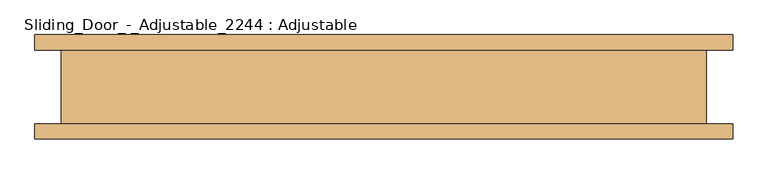
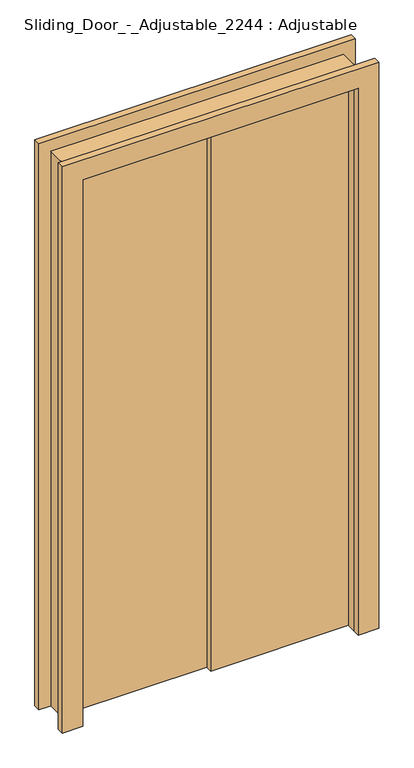
"""IFC4 building model written with IfcOpenShell, lengths in millimetres: door geometry, Sliding_Door_-_Adjustable_2244 : Adjustable."""

from ifc_helpers import new_model, si_unit, frame, origin, origin_with_axes, place, context, project, spatial, polyline, outline, extrude, source, transform, mapped, element, save


def sliding_door_adjustable_2244_adjustable_74ef6e6f(model_context):
    return source(origin(), model_context, "Body", "SweptSolid", [
        extrude(outline(polyline([(508.0, -25.4), (0.0, -25.4), (0.0, 0.0), (508.0, 0.0), (508.0, -25.4)])), origin_with_axes(), (0.0, 0.0, 1.0), 2133.6),
        extrude(outline(polyline([(0.0, 0.0), (-508.0, 0.0), (-508.0, 25.4), (0.0, 25.4), (0.0, 0.0)])), origin_with_axes(), (0.0, 0.0, 1.0), 2133.6),
        extrude(outline(polyline([(2209.8, -584.2), (0.0, -584.2), (0.0, -508.0), (2133.6, -508.0), (2133.6, 508.0), (0.0, 508.0), (0.0, 584.2), (2209.8, 584.2), (2209.8, -584.2)])), frame((0.0, 61.9125, 0.0), z_axis=(0.0, 1.0, 0.0), x_axis=(0.0, 0.0, 1.0)), (0.0, 0.0, 1.0), 25.4),
        extrude(outline(polyline([(2209.8, 584.2), (2209.8, -584.2), (0.0, -584.2), (0.0, -508.0), (2133.6, -508.0), (2133.6, 508.0), (0.0, 508.0), (0.0, 584.2), (2209.8, 584.2)])), frame((0.0, -87.3125, 0.0), z_axis=(0.0, 1.0, 0.0), x_axis=(0.0, 0.0, 1.0)), (0.0, 0.0, 1.0), 25.4),
        extrude(outline(polyline([(0.0, -539.75), (0.0, -508.0), (2133.6, -508.0), (2133.6, 508.0), (0.0, 508.0), (0.0, 539.75), (2165.35, 539.75), (2165.35, -539.75), (0.0, -539.75)])), frame((0.0, -61.9125, 0.0), z_axis=(0.0, 1.0, 0.0), x_axis=(0.0, 0.0, 1.0)), (0.0, 0.0, 1.0), 123.825),
    ])


if __name__ == "__main__":
    model = new_model("IFC4")
    model_context = context("Model", 3, world=origin())
    ifc_project = project(units=[si_unit("LENGTHUNIT", "METRE", prefix="MILLI")], contexts=[model_context])
    site = spatial("IfcSite", under=ifc_project)
    building = spatial("IfcBuilding", under=site)
    placement = place(None, origin())
    sliding_door_adjustable_2244_adjustable_shape = sliding_door_adjustable_2244_adjustable_74ef6e6f(model_context)
    element("IfcDoor", 1, ObjectType="Sliding_Door_-_Adjustable_2244 : Adjustable", at=placement, inside=building, context=model_context, shape_type="MappedRepresentation", body=[
        mapped(sliding_door_adjustable_2244_adjustable_shape, transform((0.0, 0.0, 0.0), x_axis=(1.0, 0.0, 0.0), y_axis=(0.0, 1.0, 0.0), z_axis=(0.0, 0.0, 1.0))),
    ])
    save(model, "model.ifc")
